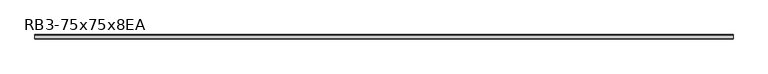
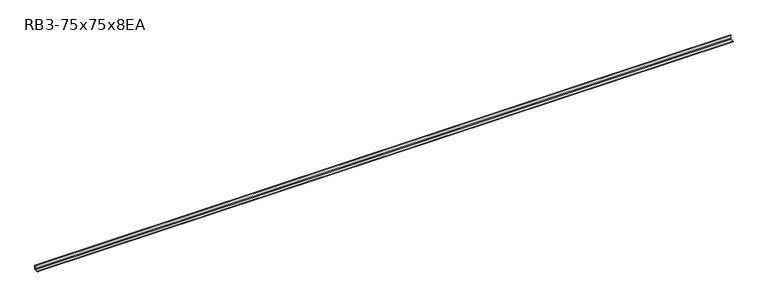
"""IFC4 building model written with IfcOpenShell, lengths in millimetres: member geometry, RB3-75x75x8EA."""

from ifc_helpers import new_model, si_unit, point, frame, frame_2d, origin, place, context, project, spatial, polyline, circle_curve, trimmed, segment, composite_curve, outline, extrude, source, transform, mapped, element, save


def rb3_75x75x8ea_f6ff400f(model_context):
    return source(origin(), model_context, "Body", "SweptSolid", [
        extrude(outline(composite_curve([segment(polyline([(21.3, -21.3), (-53.7, -21.3), (-53.7, -18.3)]), True, "CONTINUOUS"), segment(trimmed(circle_curve(frame_2d((-48.7, -18.3)), 5.0), [point((-53.7, -18.3))], [point((-48.7, -13.3))], False, "CARTESIAN"), True, "CONTINUOUS"), segment(polyline([(-48.7, -13.3), (5.3, -13.3)]), True, "CONTINUOUS"), segment(trimmed(circle_curve(frame_2d((5.3, -5.3)), 8.0), [point((5.3, -13.3))], [point((13.3, -5.3))], True, "CARTESIAN"), True, "CONTINUOUS"), segment(polyline([(13.3, -5.3), (13.3, 48.7)]), True, "CONTINUOUS"), segment(trimmed(circle_curve(frame_2d((18.3, 48.7)), 5.0), [point((13.3, 48.7))], [point((18.3, 53.7))], False, "CARTESIAN"), True, "CONTINUOUS"), segment(polyline([(18.3, 53.7), (21.3, 53.7), (21.3, -21.3)]), True, "CONTINUOUS")], self_intersect=False)), frame((-5895.7128388, 0.0, 0.0), z_axis=(1.0, 0.0, 0.0), x_axis=(0.0, 1.0, 0.0)), (0.0, 0.0, 1.0), 11822.3511027),
    ])


if __name__ == "__main__":
    model = new_model("IFC4")
    model_context = context("Model", 3, world=origin())
    ifc_project = project(units=[si_unit("LENGTHUNIT", "METRE", prefix="MILLI")], contexts=[model_context])
    site = spatial("IfcSite", under=ifc_project)
    building = spatial("IfcBuilding", under=site)
    placement = place(None, origin())
    rb3_75x75x8ea_shape = rb3_75x75x8ea_f6ff400f(model_context)
    element("IfcMember", 1, ObjectType="RB3-75x75x8EA", at=placement, inside=building, context=model_context, shape_type="MappedRepresentation", body=[
        mapped(rb3_75x75x8ea_shape, transform((0.0, 0.0, 0.0), x_axis=(1.0, 0.0, 0.0), y_axis=(0.0, 1.0, 0.0), z_axis=(0.0, 0.0, 1.0))),
    ])
    save(model, "model.ifc")
